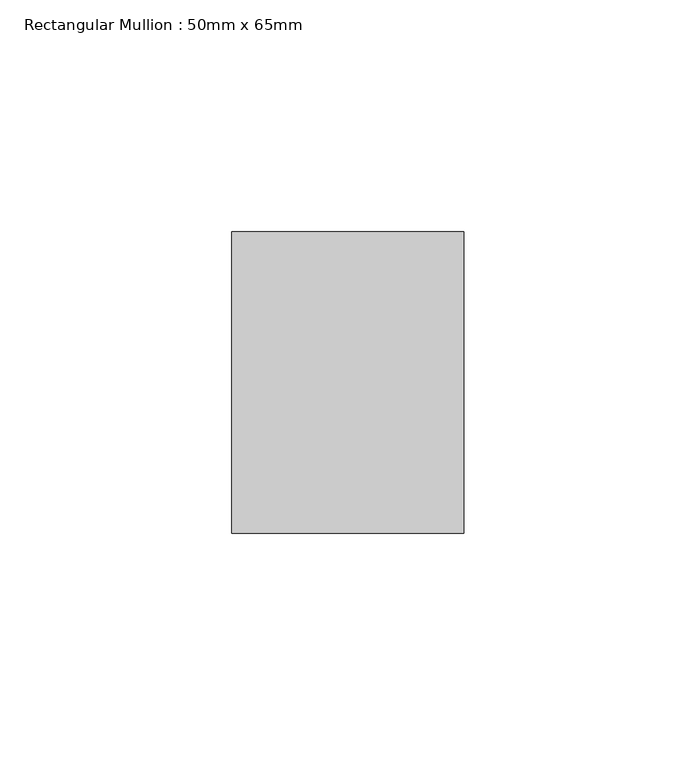
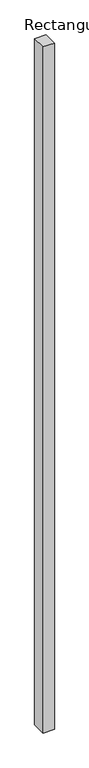
"""IFC4 building model written with IfcOpenShell, lengths in millimetres: member geometry, Rectangular Mullion : 50mm x 65mm."""

from ifc_helpers import new_model, si_unit, frame, origin, place, context, project, spatial, polyline, outline, extrude, source, transform, mapped, element, save


def rectangular_mullion_50mm_x_65mm_91e7ded1(model_context):
    return source(origin(), model_context, "Body", "SweptSolid", [
        extrude(outline(polyline([(25.0, 32.5), (25.0, -32.5), (-25.0, -32.5), (-25.0, 32.5), (25.0, 32.5)])), frame((0.0, 0.0, -3235.2676279), z_axis=(0.0, 0.0, 1.0), x_axis=(1.0, 0.0, 0.0)), (0.0, 0.0, 1.0), 3235.2676279),
    ])


if __name__ == "__main__":
    model = new_model("IFC4")
    model_context = context("Model", 3, world=origin())
    ifc_project = project(units=[si_unit("LENGTHUNIT", "METRE", prefix="MILLI")], contexts=[model_context])
    site = spatial("IfcSite", under=ifc_project)
    building = spatial("IfcBuilding", under=site)
    placement = place(None, origin())
    rectangular_mullion_50mm_x_65mm_shape = rectangular_mullion_50mm_x_65mm_91e7ded1(model_context)
    element("IfcMember", 1, ObjectType="Rectangular Mullion : 50mm x 65mm", at=placement, inside=building, context=model_context, shape_type="MappedRepresentation", body=[
        mapped(rectangular_mullion_50mm_x_65mm_shape, transform((0.0, 0.0, 0.0), x_axis=(1.0, 0.0, 0.0), y_axis=(0.0, 1.0, 0.0), z_axis=(0.0, 0.0, 1.0))),
    ])
    save(model, "model.ifc")
